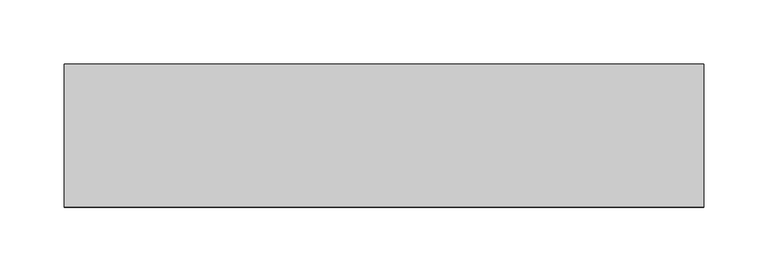
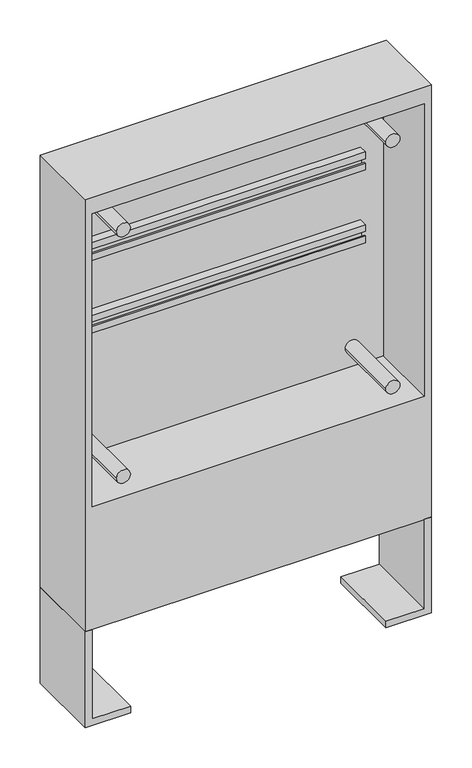
"""IFC4 building model written with IfcOpenShell, lengths in millimetres: furniture geometry."""

from ifc_helpers import new_model, si_unit, point, frame, frame_2d, origin, place, context, project, spatial, polyline, circle_curve, trimmed, segment, composite_curve, outline, extrude, faceted_brep, source, transform, mapped, element, save


def furniture_13a0d31b(model_context):
    return source(origin(), model_context, "Body", "SolidModel", [
        extrude(outline(polyline([(101.0, 548.5), (101.0, 535.0), (101.0, 521.5), (89.0, 521.5), (89.0, 531.5), (91.0, 531.5), (91.0, 523.5), (99.0, 523.5), (99.0, 546.5), (91.0, 546.5), (91.0, 538.5), (89.0, 538.5), (89.0, 548.5), (101.0, 548.5)])), frame((-205.0, 0.0, 0.0), z_axis=(1.0, 0.0, 0.0), x_axis=(0.0, 1.0, 0.0)), (0.0, 0.0, 1.0), 410.0),
        extrude(outline(polyline([(101.0, 658.5), (101.0, 645.0), (101.0, 631.5), (89.0, 631.5), (89.0, 641.5), (91.0, 641.5), (91.0, 633.5), (99.0, 633.5), (99.0, 656.5), (91.0, 656.5), (91.0, 648.5), (89.0, 648.5), (89.0, 658.5), (101.0, 658.5)])), frame((-205.0, 0.0, 0.0), z_axis=(1.0, 0.0, 0.0), x_axis=(0.0, 1.0, 0.0)), (0.0, 0.0, 1.0), 410.0),
        extrude(outline(composite_curve([segment(trimmed(circle_curve(frame_2d((734.0, -193.0)), 10.0), [point((734.0, -203.0))], [point((734.0, -183.0))], False, "CARTESIAN"), True, "CONTINUOUS"), segment(trimmed(circle_curve(frame_2d((734.0, -193.0)), 10.0), [point((734.0, -183.0))], [point((734.0, -203.0))], False, "CARTESIAN"), True, "CONTINUOUS")], self_intersect=False)), frame((0.0, 0.0, 0.0), z_axis=(0.0, 1.0, 0.0), x_axis=(0.0, 0.0, 1.0)), (0.0, 0.0, 1.0), 101.0),
        extrude(outline(composite_curve([segment(trimmed(circle_curve(frame_2d((734.0, 193.0)), 10.0), [point((734.0, 183.0))], [point((734.0, 203.0))], False, "CARTESIAN"), True, "CONTINUOUS"), segment(trimmed(circle_curve(frame_2d((734.0, 193.0)), 10.0), [point((734.0, 203.0))], [point((734.0, 183.0))], False, "CARTESIAN"), True, "CONTINUOUS")], self_intersect=False)), frame((0.0, 0.0, 0.0), z_axis=(0.0, 1.0, 0.0), x_axis=(0.0, 0.0, 1.0)), (0.0, 0.0, 1.0), 101.0),
        extrude(outline(composite_curve([segment(trimmed(circle_curve(frame_2d((361.0, -193.0)), 10.0), [point((361.0, -203.0))], [point((361.0, -183.0))], False, "CARTESIAN"), True, "CONTINUOUS"), segment(trimmed(circle_curve(frame_2d((361.0, -193.0)), 10.0), [point((361.0, -183.0))], [point((361.0, -203.0))], False, "CARTESIAN"), True, "CONTINUOUS")], self_intersect=False)), frame((0.0, 0.0, 0.0), z_axis=(0.0, 1.0, 0.0), x_axis=(0.0, 0.0, 1.0)), (0.0, 0.0, 1.0), 101.0),
        extrude(outline(composite_curve([segment(trimmed(circle_curve(frame_2d((361.0, 193.0)), 10.0), [point((361.0, 183.0))], [point((361.0, 203.0))], False, "CARTESIAN"), True, "CONTINUOUS"), segment(trimmed(circle_curve(frame_2d((361.0, 193.0)), 10.0), [point((361.0, 203.0))], [point((361.0, 183.0))], False, "CARTESIAN"), True, "CONTINUOUS")], self_intersect=False)), frame((0.0, 0.0, 0.0), z_axis=(0.0, 1.0, 0.0), x_axis=(0.0, 0.0, 1.0)), (0.0, 0.0, 1.0), 101.0),
        extrude(outline(polyline([(0.0, -248.0), (0.0, -183.0), (10.0, -183.0), (10.0, -238.0), (145.0, -238.0), (145.0, -248.0), (0.0, -248.0)])), frame((0.0, 0.0, 0.0), z_axis=(0.0, 1.0, 0.0), x_axis=(0.0, 0.0, 1.0)), (0.0, 0.0, 1.0), 111.0),
        extrude(outline(polyline([(0.0, 248.0), (145.0, 248.0), (145.0, 238.0), (10.0, 238.0), (10.0, 183.0), (0.0, 183.0), (0.0, 248.0)])), frame((0.0, 0.0, 0.0), z_axis=(0.0, 1.0, 0.0), x_axis=(0.0, 0.0, 1.0)), (0.0, 0.0, 1.0), 111.0),
        faceted_brep([(238.0, 101.0, 331.0), (238.0, 101.0, 774.0), (-238.0, 101.0, 774.0), (-238.0, 101.0, 331.0), (248.0, 111.0, 799.0), (248.0, 111.0, 145.0), (-248.0, 111.0, 145.0), (-248.0, 111.0, 799.0), (-248.0, 0.0, 799.0), (248.0, 0.0, 799.0), (-248.0, 0.0, 145.0), (248.0, 0.0, 145.0), (238.0, 0.0, 774.0), (238.0, 0.0, 331.0), (-238.0, 0.0, 331.0), (-238.0, 0.0, 774.0)], [[[0, 1, 2, 3]], [[4, 5, 6, 7]], [[4, 7, 8, 9]], [[8, 7, 6, 10]], [[10, 6, 5, 11]], [[11, 5, 4, 9]], [[9, 8, 10, 11], [12, 13, 14, 15]], [[13, 12, 1, 0]], [[14, 13, 0, 3]], [[15, 14, 3, 2]], [[12, 15, 2, 1]]]),
    ])


if __name__ == "__main__":
    model = new_model("IFC4")
    model_context = context("Model", 3, world=origin())
    ifc_project = project(units=[si_unit("LENGTHUNIT", "METRE", prefix="MILLI")], contexts=[model_context])
    site = spatial("IfcSite", under=ifc_project)
    building = spatial("IfcBuilding", under=site)
    placement = place(None, origin())
    furniture_shape = furniture_13a0d31b(model_context)
    element("IfcFurniture", 1, at=placement, inside=building, context=model_context, shape_type="MappedRepresentation", body=[
        mapped(furniture_shape, transform((0.0, 0.0, 0.0), x_axis=(1.0, 0.0, 0.0), y_axis=(0.0, 1.0, 0.0), z_axis=(0.0, 0.0, 1.0))),
    ])
    save(model, "model.ifc")
